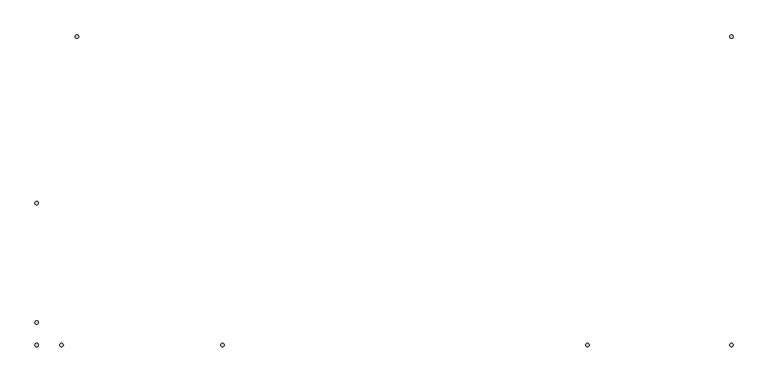
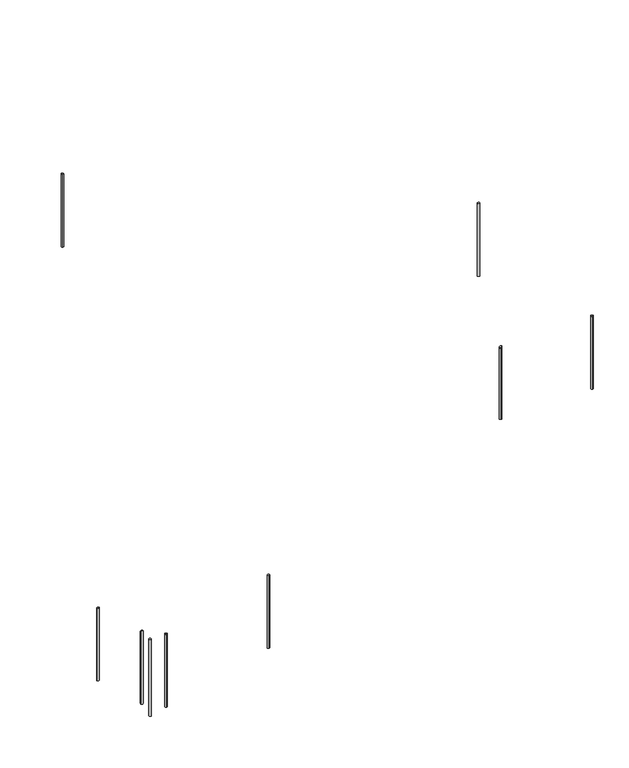
"""IFC4 building model written with IfcOpenShell, lengths in millimetres: railing geometry."""

import ifcopenshell
import ifcopenshell.guid

model = None  # the IFC model being written
_history = None  # IfcOwnerHistory: only IFC2X3 demands one
_inside = {}  # id of a spatial element -> (the spatial element, [elements in it])
_under = {}  # id of a project, library or spatial element -> (it, [spatial elements below it])
_declared = {}  # id of a project -> (the project, [libraries it declares])
_typed = {}  # id of a type object -> (the type object, [elements of that type])
_made_of = {}  # id of a material, layer set ... -> (it, [elements and type objects made of it])


def new_model(schema):
    """Start an empty IFC model of exactly this schema.

    Asked for "IFC4X3", IfcOpenShell would pick the latest addendum, in which some entities
    have other attributes; the version numbers below select the first issue.
    IFC2X3 requires an IfcOwnerHistory on every rooted entity: one is made here for all.
    """
    global model, _history
    if schema == "IFC4X3":
        model = ifcopenshell.file(schema_version=(4, 3, 0, 0))
    else:
        model = ifcopenshell.file(schema=schema)
    _inside.clear()
    _under.clear()
    _declared.clear()
    _typed.clear()
    _made_of.clear()
    _history = None
    if model.schema == "IFC2X3":
        org = make("IfcOrganization", Name="unknown")
        user = make(
            "IfcPersonAndOrganization",
            ThePerson=make("IfcPerson", FamilyName="unknown"),
            TheOrganization=org,
        )
        app = make(
            "IfcApplication",
            ApplicationDeveloper=org,
            Version="unknown",
            ApplicationFullName="unknown",
            ApplicationIdentifier="unknown",
        )
        _history = make(
            "IfcOwnerHistory",
            OwningUser=user,
            OwningApplication=app,
            ChangeAction="ADDED",
            CreationDate=0,
        )
    return model


def make(cls, **values):
    """One entity of the class cls with the attributes given. An attribute that is None is left unset."""
    return model.create_entity(
        cls, **{name: value for name, value in values.items() if value is not None}
    )


def rooted(cls, **values):
    """An entity with a GlobalId (a new one), such as an element, a storey or a relation."""
    return make(cls, GlobalId=ifcopenshell.guid.new(), OwnerHistory=_history, **values)


def si_unit(unit_type, name, prefix=None):
    """IfcSIUnit, for example si_unit("LENGTHUNIT", "METRE", prefix="MILLI")."""
    return make("IfcSIUnit", UnitType=unit_type, Prefix=prefix, Name=name)


def assignment(units):
    """IfcUnitAssignment: the units of a project."""
    return None if units is None else make("IfcUnitAssignment", Units=units)


def point(xyz):
    """IfcCartesianPoint."""
    return None if xyz is None else make("IfcCartesianPoint", Coordinates=xyz)


def direction(xyz):
    """IfcDirection."""
    return None if xyz is None else make("IfcDirection", DirectionRatios=xyz)


def frame(location, z_axis=None, x_axis=None):
    """IfcAxis2Placement3D, a coordinate frame: its origin and axes. An axis left out is left unset."""
    return make(
        "IfcAxis2Placement3D",
        Location=point(location),
        Axis=direction(z_axis),
        RefDirection=direction(x_axis),
    )


def frame_2d(location, x_axis=None):
    """IfcAxis2Placement2D, a coordinate frame in the plane: its origin and x axis."""
    return make(
        "IfcAxis2Placement2D", Location=point(location), RefDirection=direction(x_axis)
    )


def origin():
    """The frame at (0, 0, 0) with its axes left unset."""
    return frame((0.0, 0.0, 0.0))


def place(relative_to, where):
    """IfcLocalPlacement: puts the frame where relative to a parent placement (None: the world)."""
    return make(
        "IfcLocalPlacement", PlacementRelTo=relative_to, RelativePlacement=where
    )


def context(
    kind, dimensions, precision=None, world=None, true_north=None, identifier=None
):
    """IfcGeometricRepresentationContext, for example the 3D "Model" context."""
    return make(
        "IfcGeometricRepresentationContext",
        ContextIdentifier=identifier,
        ContextType=kind,
        CoordinateSpaceDimension=dimensions,
        Precision=precision,
        WorldCoordinateSystem=world,
        TrueNorth=true_north,
    )


def project(units=None, contexts=None):
    """IfcProject with its units and contexts."""
    return rooted(
        "IfcProject",
        Name="project",
        RepresentationContexts=contexts,
        UnitsInContext=assignment(units),
    )


def spatial(cls, under=None, at=None, **own):
    """A site, building, storey or space (cls), placed at a placement, below another one or the project."""
    s = rooted(cls, ObjectPlacement=at, **own)
    if under is not None:
        _under.setdefault(under.id(), (under, []))[1].append(s)
    return s


def circle_curve(where, radius):
    """IfcCircle in the frame where."""
    return make("IfcCircle", Position=where, Radius=radius)


def ellipse_curve(where, semi_axis1, semi_axis2):
    """IfcEllipse in the frame where."""
    return make(
        "IfcEllipse", Position=where, SemiAxis1=semi_axis1, SemiAxis2=semi_axis2
    )


def trimmed(basis, trim1, trim2, sense, master):
    """IfcTrimmedCurve: the piece of a basis curve between two trims."""
    return make(
        "IfcTrimmedCurve",
        BasisCurve=basis,
        Trim1=trim1,
        Trim2=trim2,
        SenseAgreement=sense,
        MasterRepresentation=master,
    )


def segment(curve, same_sense, transition):
    """IfcCompositeCurveSegment."""
    return make(
        "IfcCompositeCurveSegment",
        Transition=transition,
        SameSense=same_sense,
        ParentCurve=curve,
    )


def composite_curve(segments, self_intersect=None):
    """IfcCompositeCurve: segments joined end to end."""
    return make("IfcCompositeCurve", Segments=segments, SelfIntersect=self_intersect)


def outline(outer, holes=None, kind="AREA"):
    """IfcArbitraryClosedProfileDef: a profile drawn as a closed curve; with holes, ...WithVoids."""
    if holes is None:
        return make("IfcArbitraryClosedProfileDef", ProfileType=kind, OuterCurve=outer)
    return make(
        "IfcArbitraryProfileDefWithVoids",
        ProfileType=kind,
        OuterCurve=outer,
        InnerCurves=holes,
    )


def extrude(swept, where, along, depth):
    """IfcExtrudedAreaSolid: the profile swept, set in the frame where, extruded along a direction by depth."""
    return make(
        "IfcExtrudedAreaSolid",
        SweptArea=swept,
        Position=where,
        ExtrudedDirection=direction(along),
        Depth=depth,
    )


def shape(context_of_items, identifier, shape_type, items):
    """IfcShapeRepresentation: the items that make up one representation, for example the "Body"."""
    return make(
        "IfcShapeRepresentation",
        ContextOfItems=context_of_items,
        RepresentationIdentifier=identifier,
        RepresentationType=shape_type,
        Items=items,
    )


def source(mapping_origin, context_of_items, identifier, shape_type, items):
    """IfcRepresentationMap: a shape defined once, which mapped items show again and again."""
    return make(
        "IfcRepresentationMap",
        MappingOrigin=mapping_origin,
        MappedRepresentation=shape(context_of_items, identifier, shape_type, items),
    )


def transform(
    local_origin,
    x_axis=None,
    y_axis=None,
    z_axis=None,
    scale=None,
    scale2=None,
    scale3=None,
    uniform=True,
):
    """IfcCartesianTransformationOperator3D, or its non-uniform kind. x_axis, y_axis, z_axis: its Axis1, 2, 3."""
    if uniform:
        return make(
            "IfcCartesianTransformationOperator3D",
            Axis1=direction(x_axis),
            Axis2=direction(y_axis),
            LocalOrigin=point(local_origin),
            Scale=scale,
            Axis3=direction(z_axis),
        )
    return make(
        "IfcCartesianTransformationOperator3DnonUniform",
        Axis1=direction(x_axis),
        Axis2=direction(y_axis),
        LocalOrigin=point(local_origin),
        Scale=scale,
        Axis3=direction(z_axis),
        Scale2=scale2,
        Scale3=scale3,
    )


def mapped(mapping_source, mapping_target):
    """IfcMappedItem: shows the shape of a source again, moved by a transform."""
    return make(
        "IfcMappedItem", MappingSource=mapping_source, MappingTarget=mapping_target
    )


def made_of(thing, what):
    """Note that an element or type object is made of a material, layer set ...; save() writes the relation."""
    if what is not None:
        _made_of.setdefault(what.id(), (what, []))[1].append(thing)
    return thing


def element(
    cls,
    number,
    at=None,
    inside=None,
    cuts=None,
    type_object=None,
    material=None,
    context=None,
    identifier="Body",
    shape_type=None,
    held_by="IfcProductDefinitionShape",
    body=None,
    shapes=None,
    **own,
):
    """One element of the class cls, such as IfcWall. Its Tag is "e" and its number.

    at: its placement. inside: the storey or other place that contains it. cuts: it is an
    opening in that element (IfcRelVoidsElement). A single representation is given by context,
    identifier, shape_type and body (its items); several are given by shapes. held_by: the class
    of the entity that holds the representations. save() writes the other relations.
    """
    e = rooted(cls, Tag="e%d" % number, ObjectPlacement=at, **own)
    if body is not None:
        shapes = [shape(context, identifier, shape_type, body)]
    if shapes is not None:
        e.Representation = make(held_by, Representations=shapes)
    if inside is not None:
        _inside.setdefault(inside.id(), (inside, []))[1].append(e)
    if cuts is not None:
        rooted(
            "IfcRelVoidsElement", RelatingBuildingElement=cuts, RelatedOpeningElement=e
        )
    if type_object is not None:
        _typed.setdefault(type_object.id(), (type_object, []))[1].append(e)
    return made_of(e, material)


def aggregate(whole, parts):
    """IfcRelAggregates: a whole, such as a stair, and the parts it consists of."""
    return rooted("IfcRelAggregates", RelatingObject=whole, RelatedObjects=parts)


def save(model, path):
    """Write the relations noted so far, then the file.

    IfcRelAggregates (storeys below a building ...), IfcRelContainedInSpatialStructure (elements
    in a storey), IfcRelDefinesByType, IfcRelAssociatesMaterial and IfcRelDeclares: one each for
    every whole, place, type object, material and project.
    """
    for whole, parts in _under.values():
        aggregate(whole, parts)
    for where, things in _inside.values():
        rooted(
            "IfcRelContainedInSpatialStructure",
            RelatedElements=things,
            RelatingStructure=where,
        )
    for kind, things in _typed.values():
        rooted("IfcRelDefinesByType", RelatedObjects=things, RelatingType=kind)
    for what, things in _made_of.values():
        rooted("IfcRelAssociatesMaterial", RelatedObjects=things, RelatingMaterial=what)
    for by, libraries in _declared.values():
        rooted("IfcRelDeclares", RelatingContext=by, RelatedDefinitions=libraries)
    model.write(path)


def plane_surface(at):
    """IfcPlane: the flat surface through the origin of the frame at, square to its z axis."""
    return make("IfcPlane", Position=at)


def cylinder_surface(at, radius):
    """IfcCylindricalSurface: all points at the distance radius from the z axis of the frame at."""
    return make("IfcCylindricalSurface", Position=at, Radius=radius)


def advanced_brep(points, edges, surfaces, faces):
    """IfcAdvancedBrep: a solid bounded by faces that lie on surfaces and meet in shared edges.

    An edge is (start, end): straight between two places in points (the first is 0);
    or (start, end, curve); or (start, end, curve, False) where it runs against its curve.
    A face is (place in surfaces, loops), or (place, loops, False) where it looks against
    its surface's normal. A loop lists edges by number (the first is 1), with a minus sign
    where the edge is run from its end to its start. The first loop is the outer one.
    """
    corners = [point(p) for p in points]
    vertices = [make("IfcVertexPoint", VertexGeometry=c) for c in corners]
    made = []
    for start, end, *more in edges:
        made.append(
            make(
                "IfcEdgeCurve",
                EdgeStart=vertices[start],
                EdgeEnd=vertices[end],
                EdgeGeometry=more[0] if more else make("IfcPolyline", Points=[corners[start], corners[end]]),
                SameSense=more[1] if len(more) > 1 else True,
            )
        )
    hull = []
    for where, loops, *sense in faces:
        bounds = []
        for j, loop in enumerate(loops):
            ring = [make("IfcOrientedEdge", EdgeElement=made[abs(k) - 1], Orientation=k > 0) for k in loop]
            bounds.append(
                make(
                    "IfcFaceOuterBound" if j == 0 else "IfcFaceBound",
                    Bound=make("IfcEdgeLoop", EdgeList=ring),
                    Orientation=True,
                )
            )
        hull.append(make("IfcAdvancedFace", Bounds=bounds, FaceSurface=surfaces[where], SameSense=sense[0] if sense else True))
    return make("IfcAdvancedBrep", Outer=make("IfcClosedShell", CfsFaces=hull))


def railing_788aefdd(model_context):
    return source(origin(), model_context, "Body", "SolidModel", [
        extrude(outline(composite_curve([segment(trimmed(circle_curve(frame_2d((1729.0215975, 16024.6868987)), 12.5), [point((1716.5215975, 16024.6868987))], [point((1741.5215975, 16024.6868987))], False, "CARTESIAN"), True, "CONTINUOUS"), segment(trimmed(circle_curve(frame_2d((1729.0215975, 16024.6868987)), 12.5), [point((1741.5215975, 16024.6868987))], [point((1716.5215975, 16024.6868987))], False, "CARTESIAN"), True, "CONTINUOUS")], self_intersect=False)), frame((0.0, 0.0, 2620.0), z_axis=(0.0, 0.0, 1.0), x_axis=(1.0, 0.0, 0.0)), (0.0, 0.0, 1.0), 860.0),
        extrude(outline(composite_curve([segment(trimmed(circle_curve(frame_2d((1729.0215975, 13824.6868987)), 12.5), [point((1729.0215975, 13837.1868987))], [point((1729.0215975, 13812.1868987))], False, "CARTESIAN"), True, "CONTINUOUS"), segment(trimmed(circle_curve(frame_2d((1729.0215975, 13824.6868987)), 12.5), [point((1729.0215975, 13812.1868987))], [point((1729.0215975, 13837.1868987))], False, "CARTESIAN"), True, "CONTINUOUS")], self_intersect=False)), frame((0.0, 0.0, 2620.0), z_axis=(0.0, 0.0, 1.0), x_axis=(1.0, 0.0, 0.0)), (0.0, 0.0, 1.0), 860.0),
        advanced_brep(
        [(704.0215975, 13812.1868987, 3471.3495745), (704.0215975, 13812.1868987, 2620.0), (704.0215975, 13837.1868987, 2620.0), (704.0215975, 13837.1868987, 3471.3495745)],
        [
            (0, 1),
            (1, 2, circle_curve(frame((704.0215975, 13824.6868987, 2620.0), z_axis=(0.0, 0.0, 1.0), x_axis=(0.0, 1.0, 0.0)), 12.5)),
            (2, 3),
            (3, 0, ellipse_curve(frame((704.0215975, 13824.6868987, 3471.3495745), z_axis=(0.569209978830308, 0.0, -0.8221921916437789), x_axis=(0.8221921916437789, 0.0, 0.5692099788303079)), 15.203258, 12.5)),
            (0, 3, ellipse_curve(frame((704.0215975, 13824.6868987, 3471.3495745), z_axis=(0.569209978830308, 0.0, -0.8221921916437789), x_axis=(0.8221921916437789, 0.0, 0.5692099788303079)), 15.203258, 12.5)),
            (2, 1, circle_curve(frame((704.0215975, 13824.6868987, 2620.0), z_axis=(0.0, 0.0, 1.0), x_axis=(0.0, 1.0, 0.0)), 12.5)),
        ],
        [
            cylinder_surface(frame((704.0215975, 13824.6868987, 2520.0), z_axis=(0.0, 0.0, 1.0), x_axis=(0.0, 1.0, 0.0)), 12.5),
            plane_surface(frame((729.0215975, 13849.6868987, 3488.6572668), z_axis=(-0.569209978830308, 0.0, 0.8221921916437789), x_axis=(0.0, -1.0, 0.0))),
            plane_surface(frame((679.0215975, 13849.6868987, 2620.0), z_axis=(0.0, 0.0, -1.0), x_axis=(0.0, -1.0, 0.0))),
        ],
        [
            (0, [[1, 2, 3, 4]]),
            (0, [[-1, 5, -3, 6]]),
            (1, [[-4, -5]]),
            (2, [[-2, -6]]),
        ],
    ),
        advanced_brep(
        [(-1895.9784025, 13812.1868987, 1678.6994768), (-1895.9784025, 13812.1868987, 820.0), (-1895.9784025, 13837.1868987, 820.0), (-1895.9784025, 13837.1868987, 1678.6994768)],
        [
            (0, 1),
            (1, 2, circle_curve(frame((-1895.9784025, 13824.6868987, 820.0), z_axis=(0.0, 0.0, 1.0), x_axis=(0.0, 1.0, 0.0)), 12.5)),
            (2, 3),
            (3, 0, ellipse_curve(frame((-1895.9784025, 13824.6868987, 1678.6994768), z_axis=(0.2489718013998023, 0.0, -0.9685107341210719), x_axis=(0.968510734121072, 0.0, 0.2489718013998015)), 12.9064135, 12.5)),
            (0, 3, ellipse_curve(frame((-1895.9784025, 13824.6868987, 1678.6994768), z_axis=(0.2489718013998023, 0.0, -0.9685107341210719), x_axis=(0.968510734121072, 0.0, 0.2489718013998015)), 12.9064135, 12.5)),
            (2, 1, circle_curve(frame((-1895.9784025, 13824.6868987, 820.0), z_axis=(0.0, 0.0, 1.0), x_axis=(0.0, 1.0, 0.0)), 12.5)),
        ],
        [
            cylinder_surface(frame((-1895.9784025, 13824.6868987, 720.0), z_axis=(0.0, 0.0, 1.0), x_axis=(0.0, 1.0, 0.0)), 12.5),
            plane_surface(frame((-1870.9784025, 13849.6868987, 1685.1261429), z_axis=(-0.2489718013998023, 0.0, 0.9685107341210719), x_axis=(0.0, -1.0, 0.0))),
            plane_surface(frame((-1920.9784025, 13849.6868987, 820.0), z_axis=(0.0, 0.0, -1.0), x_axis=(0.0, -1.0, 0.0))),
        ],
        [
            (0, [[1, 2, 3, 4]]),
            (0, [[-1, 5, -3, 6]]),
            (1, [[-4, -5]]),
            (2, [[-2, -6]]),
        ],
    ),
        extrude(outline(composite_curve([segment(trimmed(circle_curve(frame_2d((-3042.8169557, 13824.6868987)), 12.5), [point((-3042.8169557, 13837.1868987))], [point((-3042.8169557, 13812.1868987))], False, "CARTESIAN"), True, "CONTINUOUS"), segment(trimmed(circle_curve(frame_2d((-3042.8169557, 13824.6868987)), 12.5), [point((-3042.8169557, 13812.1868987))], [point((-3042.8169557, 13837.1868987))], False, "CARTESIAN"), True, "CONTINUOUS")], self_intersect=False)), frame((0.0, 0.0, 525.1860651), z_axis=(0.0, 0.0, 1.0), x_axis=(1.0, 0.0, 0.0)), (0.0, 0.0, 1.0), 860.0),
        extrude(outline(composite_curve([segment(trimmed(circle_curve(frame_2d((-3220.9784025, 13824.6868987)), 12.5), [point((-3208.4784025, 13824.6868987))], [point((-3233.4784025, 13824.6868987))], False, "CARTESIAN"), True, "CONTINUOUS"), segment(trimmed(circle_curve(frame_2d((-3220.9784025, 13824.6868987)), 12.5), [point((-3233.4784025, 13824.6868987))], [point((-3208.4784025, 13824.6868987))], False, "CARTESIAN"), True, "CONTINUOUS")], self_intersect=False)), frame((0.0, 0.0, 479.3867004), z_axis=(0.0, 0.0, 1.0), x_axis=(1.0, 0.0, 0.0)), (0.0, 0.0, 1.0), 905.7993647),
        advanced_brep(
        [(-3233.4784025, 13986.0157627, 1383.6054442), (-3233.4784025, 13986.0157627, 525.1860651), (-3208.4784025, 13986.0157627, 525.1860651), (-3208.4784025, 13986.0157627, 1383.6054442)],
        [
            (0, 1),
            (1, 2, circle_curve(frame((-3220.9784025, 13986.0157627, 525.1860651), z_axis=(0.0, 0.0, 1.0), x_axis=(1.0, 0.0, 0.0)), 12.5)),
            (2, 3),
            (3, 0, ellipse_curve(frame((-3220.9784025, 13986.0157627, 1383.6054442), z_axis=(0.0, -0.2730966664448226, -0.9619865959444162), x_axis=(0.0, -0.9619865959444162, 0.2730966664448224)), 12.993944, 12.5)),
            (0, 3, ellipse_curve(frame((-3220.9784025, 13986.0157627, 1383.6054442), z_axis=(0.0, -0.2730966664448226, -0.9619865959444162), x_axis=(0.0, -0.9619865959444162, 0.2730966664448224)), 12.993944, 12.5)),
            (2, 1, circle_curve(frame((-3220.9784025, 13986.0157627, 525.1860651), z_axis=(0.0, 0.0, 1.0), x_axis=(1.0, 0.0, 0.0)), 12.5)),
        ],
        [
            cylinder_surface(frame((-3220.9784025, 13986.0157627, 425.1860651), z_axis=(0.0, 0.0, 1.0), x_axis=(1.0, 0.0, 0.0)), 12.5),
            plane_surface(frame((-3195.9784025, 13961.0157627, 1390.7026498), z_axis=(0.0, 0.2730966664448226, 0.9619865959444162), x_axis=(-1.0, 0.0, 0.0))),
            plane_surface(frame((-3195.9784025, 14011.0157627, 525.1860651), z_axis=(0.0, 0.0, -1.0), x_axis=(-1.0, 0.0, 0.0))),
        ],
        [
            (0, [[1, 2, 3, 4]]),
            (0, [[-1, 5, -3, 6]]),
            (1, [[-4, -5]]),
            (2, [[-2, -6]]),
        ],
    ),
        extrude(outline(composite_curve([segment(trimmed(circle_curve(frame_2d((-2933.7918036, 16024.6868987)), 12.5), [point((-2933.7918036, 16012.1868987))], [point((-2933.7918036, 16037.1868987))], False, "CARTESIAN"), True, "CONTINUOUS"), segment(trimmed(circle_curve(frame_2d((-2933.7918036, 16024.6868987)), 12.5), [point((-2933.7918036, 16037.1868987))], [point((-2933.7918036, 16012.1868987))], False, "CARTESIAN"), True, "CONTINUOUS")], self_intersect=False)), frame((0.0, 0.0, 4600.0), z_axis=(0.0, 0.0, 1.0), x_axis=(1.0, 0.0, 0.0)), (0.0, 0.0, 1.0), 860.0),
        advanced_brep(
        [(-3233.4784025, 14837.5002998, 1141.879011), (-3233.4784025, 14837.5002998, 283.4596319), (-3208.4784025, 14837.5002998, 283.4596319), (-3208.4784025, 14837.5002998, 1141.879011)],
        [
            (0, 1),
            (1, 2, circle_curve(frame((-3220.9784025, 14837.5002998, 283.4596319), z_axis=(0.0, 0.0, 1.0), x_axis=(1.0, 0.0, 0.0)), 12.5)),
            (2, 3),
            (3, 0, ellipse_curve(frame((-3220.9784025, 14837.5002998, 1141.879011), z_axis=(0.0, -0.2730966664448226, -0.9619865959444162), x_axis=(0.0, -0.9619865959444162, 0.2730966664448224)), 12.993944, 12.5)),
            (0, 3, ellipse_curve(frame((-3220.9784025, 14837.5002998, 1141.879011), z_axis=(0.0, -0.2730966664448226, -0.9619865959444162), x_axis=(0.0, -0.9619865959444162, 0.2730966664448224)), 12.993944, 12.5)),
            (2, 1, circle_curve(frame((-3220.9784025, 14837.5002998, 283.4596319), z_axis=(0.0, 0.0, 1.0), x_axis=(1.0, 0.0, 0.0)), 12.5)),
        ],
        [
            cylinder_surface(frame((-3220.9784025, 14837.5002998, 183.4596319), z_axis=(0.0, 0.0, 1.0), x_axis=(1.0, 0.0, 0.0)), 12.5),
            plane_surface(frame((-3195.9784025, 14812.5002998, 1148.9762166), z_axis=(0.0, 0.2730966664448226, 0.9619865959444162), x_axis=(-1.0, 0.0, 0.0))),
            plane_surface(frame((-3195.9784025, 14862.5002998, 283.4596319), z_axis=(0.0, 0.0, -1.0), x_axis=(-1.0, 0.0, 0.0))),
        ],
        [
            (0, [[1, 2, 3, 4]]),
            (0, [[-1, 5, -3, 6]]),
            (1, [[-4, -5]]),
            (2, [[-2, -6]]),
        ],
    ),
    ])


if __name__ == "__main__":
    model = new_model("IFC4")
    model_context = context("Model", 3, world=origin())
    ifc_project = project(units=[si_unit("LENGTHUNIT", "METRE", prefix="MILLI")], contexts=[model_context])
    site = spatial("IfcSite", under=ifc_project)
    building = spatial("IfcBuilding", under=site)
    placement = place(None, origin())
    railing_shape = railing_788aefdd(model_context)
    element("IfcRailing", 1, at=placement, inside=building, context=model_context, shape_type="MappedRepresentation", body=[
        mapped(railing_shape, transform((0.0, 0.0, 0.0), x_axis=(1.0, 0.0, 0.0), y_axis=(0.0, 1.0, 0.0), z_axis=(0.0, 0.0, 1.0))),
    ])
    save(model, "model.ifc")
